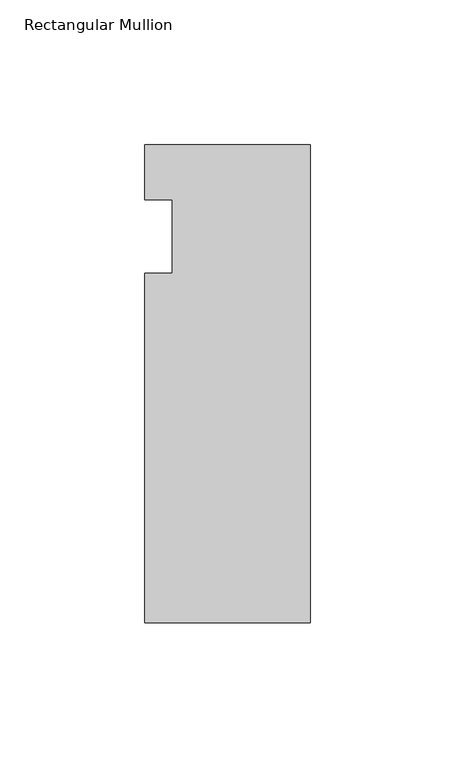
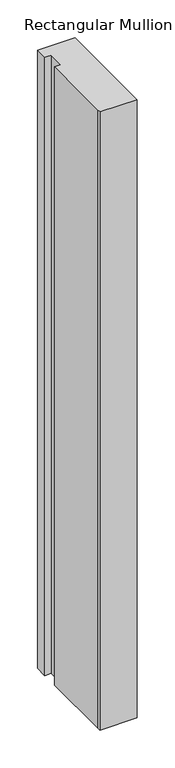
"""IFC4 building model written with IfcOpenShell, lengths in millimetres: member geometry, Rectangular Mullion."""

from ifc_helpers import new_model, si_unit, frame, origin, place, context, project, spatial, polyline, outline, extrude, source, transform, mapped, element, save


def rectangular_mullion_35969cb0(model_context):
    return source(origin(), model_context, "Body", "SweptSolid", [
        extrude(outline(polyline([(-57.15, -146.05), (-57.15, -139.7), (-57.15, -25.4), (-47.6232296, -25.4), (-47.6232296, 0.0), (-57.15, 0.0), (-57.15, 19.05), (0.0, 19.05), (0.0, -146.05), (-57.15, -146.05)])), frame((0.0, 0.0, -1000.125), z_axis=(0.0, 0.0, 1.0), x_axis=(1.0, 0.0, 0.0)), (0.0, 0.0, 1.0), 1000.125),
    ])


if __name__ == "__main__":
    model = new_model("IFC4")
    model_context = context("Model", 3, world=origin())
    ifc_project = project(units=[si_unit("LENGTHUNIT", "METRE", prefix="MILLI")], contexts=[model_context])
    site = spatial("IfcSite", under=ifc_project)
    building = spatial("IfcBuilding", under=site)
    placement = place(None, origin())
    rectangular_mullion_shape = rectangular_mullion_35969cb0(model_context)
    element("IfcMember", 1, ObjectType="Rectangular Mullion", at=placement, inside=building, context=model_context, shape_type="MappedRepresentation", body=[
        mapped(rectangular_mullion_shape, transform((0.0, 0.0, 0.0), x_axis=(1.0, 0.0, 0.0), y_axis=(0.0, 1.0, 0.0), z_axis=(0.0, 0.0, 1.0))),
    ])
    save(model, "model.ifc")
